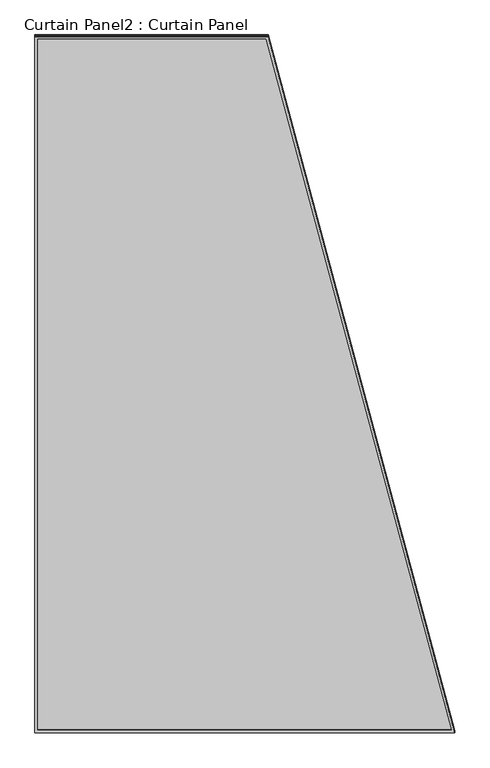
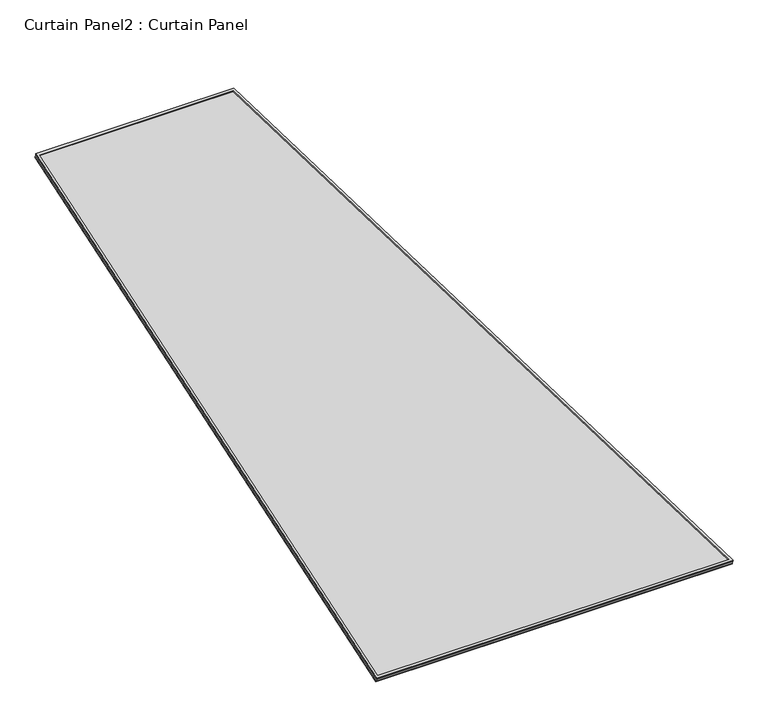
"""IFC4 building model written with IfcOpenShell, lengths in millimetres: plate geometry, Curtain Panel2 : Curtain Panel."""

import ifcopenshell
import ifcopenshell.guid

model = None  # the IFC model being written
_history = None  # IfcOwnerHistory: only IFC2X3 demands one
_inside = {}  # id of a spatial element -> (the spatial element, [elements in it])
_under = {}  # id of a project, library or spatial element -> (it, [spatial elements below it])
_declared = {}  # id of a project -> (the project, [libraries it declares])
_typed = {}  # id of a type object -> (the type object, [elements of that type])
_made_of = {}  # id of a material, layer set ... -> (it, [elements and type objects made of it])


def new_model(schema):
    """Start an empty IFC model of exactly this schema.

    Asked for "IFC4X3", IfcOpenShell would pick the latest addendum, in which some entities
    have other attributes; the version numbers below select the first issue.
    IFC2X3 requires an IfcOwnerHistory on every rooted entity: one is made here for all.
    """
    global model, _history
    if schema == "IFC4X3":
        model = ifcopenshell.file(schema_version=(4, 3, 0, 0))
    else:
        model = ifcopenshell.file(schema=schema)
    _inside.clear()
    _under.clear()
    _declared.clear()
    _typed.clear()
    _made_of.clear()
    _history = None
    if model.schema == "IFC2X3":
        org = make("IfcOrganization", Name="unknown")
        user = make(
            "IfcPersonAndOrganization",
            ThePerson=make("IfcPerson", FamilyName="unknown"),
            TheOrganization=org,
        )
        app = make(
            "IfcApplication",
            ApplicationDeveloper=org,
            Version="unknown",
            ApplicationFullName="unknown",
            ApplicationIdentifier="unknown",
        )
        _history = make(
            "IfcOwnerHistory",
            OwningUser=user,
            OwningApplication=app,
            ChangeAction="ADDED",
            CreationDate=0,
        )
    return model


def make(cls, **values):
    """One entity of the class cls with the attributes given. An attribute that is None is left unset."""
    return model.create_entity(
        cls, **{name: value for name, value in values.items() if value is not None}
    )


def rooted(cls, **values):
    """An entity with a GlobalId (a new one), such as an element, a storey or a relation."""
    return make(cls, GlobalId=ifcopenshell.guid.new(), OwnerHistory=_history, **values)


def si_unit(unit_type, name, prefix=None):
    """IfcSIUnit, for example si_unit("LENGTHUNIT", "METRE", prefix="MILLI")."""
    return make("IfcSIUnit", UnitType=unit_type, Prefix=prefix, Name=name)


def assignment(units):
    """IfcUnitAssignment: the units of a project."""
    return None if units is None else make("IfcUnitAssignment", Units=units)


def point(xyz):
    """IfcCartesianPoint."""
    return None if xyz is None else make("IfcCartesianPoint", Coordinates=xyz)


def direction(xyz):
    """IfcDirection."""
    return None if xyz is None else make("IfcDirection", DirectionRatios=xyz)


def frame(location, z_axis=None, x_axis=None):
    """IfcAxis2Placement3D, a coordinate frame: its origin and axes. An axis left out is left unset."""
    return make(
        "IfcAxis2Placement3D",
        Location=point(location),
        Axis=direction(z_axis),
        RefDirection=direction(x_axis),
    )


def origin():
    """The frame at (0, 0, 0) with its axes left unset."""
    return frame((0.0, 0.0, 0.0))


def place(relative_to, where):
    """IfcLocalPlacement: puts the frame where relative to a parent placement (None: the world)."""
    return make(
        "IfcLocalPlacement", PlacementRelTo=relative_to, RelativePlacement=where
    )


def context(
    kind, dimensions, precision=None, world=None, true_north=None, identifier=None
):
    """IfcGeometricRepresentationContext, for example the 3D "Model" context."""
    return make(
        "IfcGeometricRepresentationContext",
        ContextIdentifier=identifier,
        ContextType=kind,
        CoordinateSpaceDimension=dimensions,
        Precision=precision,
        WorldCoordinateSystem=world,
        TrueNorth=true_north,
    )


def project(units=None, contexts=None):
    """IfcProject with its units and contexts."""
    return rooted(
        "IfcProject",
        Name="project",
        RepresentationContexts=contexts,
        UnitsInContext=assignment(units),
    )


def spatial(cls, under=None, at=None, **own):
    """A site, building, storey or space (cls), placed at a placement, below another one or the project."""
    s = rooted(cls, ObjectPlacement=at, **own)
    if under is not None:
        _under.setdefault(under.id(), (under, []))[1].append(s)
    return s


def polyline(points):
    """IfcPolyline through the points."""
    return make("IfcPolyline", Points=[point(p) for p in points])


def outline(outer, holes=None, kind="AREA"):
    """IfcArbitraryClosedProfileDef: a profile drawn as a closed curve; with holes, ...WithVoids."""
    if holes is None:
        return make("IfcArbitraryClosedProfileDef", ProfileType=kind, OuterCurve=outer)
    return make(
        "IfcArbitraryProfileDefWithVoids",
        ProfileType=kind,
        OuterCurve=outer,
        InnerCurves=holes,
    )


def extrude(swept, where, along, depth):
    """IfcExtrudedAreaSolid: the profile swept, set in the frame where, extruded along a direction by depth."""
    return make(
        "IfcExtrudedAreaSolid",
        SweptArea=swept,
        Position=where,
        ExtrudedDirection=direction(along),
        Depth=depth,
    )


def shape(context_of_items, identifier, shape_type, items):
    """IfcShapeRepresentation: the items that make up one representation, for example the "Body"."""
    return make(
        "IfcShapeRepresentation",
        ContextOfItems=context_of_items,
        RepresentationIdentifier=identifier,
        RepresentationType=shape_type,
        Items=items,
    )


def source(mapping_origin, context_of_items, identifier, shape_type, items):
    """IfcRepresentationMap: a shape defined once, which mapped items show again and again."""
    return make(
        "IfcRepresentationMap",
        MappingOrigin=mapping_origin,
        MappedRepresentation=shape(context_of_items, identifier, shape_type, items),
    )


def transform(
    local_origin,
    x_axis=None,
    y_axis=None,
    z_axis=None,
    scale=None,
    scale2=None,
    scale3=None,
    uniform=True,
):
    """IfcCartesianTransformationOperator3D, or its non-uniform kind. x_axis, y_axis, z_axis: its Axis1, 2, 3."""
    if uniform:
        return make(
            "IfcCartesianTransformationOperator3D",
            Axis1=direction(x_axis),
            Axis2=direction(y_axis),
            LocalOrigin=point(local_origin),
            Scale=scale,
            Axis3=direction(z_axis),
        )
    return make(
        "IfcCartesianTransformationOperator3DnonUniform",
        Axis1=direction(x_axis),
        Axis2=direction(y_axis),
        LocalOrigin=point(local_origin),
        Scale=scale,
        Axis3=direction(z_axis),
        Scale2=scale2,
        Scale3=scale3,
    )


def mapped(mapping_source, mapping_target):
    """IfcMappedItem: shows the shape of a source again, moved by a transform."""
    return make(
        "IfcMappedItem", MappingSource=mapping_source, MappingTarget=mapping_target
    )


def made_of(thing, what):
    """Note that an element or type object is made of a material, layer set ...; save() writes the relation."""
    if what is not None:
        _made_of.setdefault(what.id(), (what, []))[1].append(thing)
    return thing


def element(
    cls,
    number,
    at=None,
    inside=None,
    cuts=None,
    type_object=None,
    material=None,
    context=None,
    identifier="Body",
    shape_type=None,
    held_by="IfcProductDefinitionShape",
    body=None,
    shapes=None,
    **own,
):
    """One element of the class cls, such as IfcWall. Its Tag is "e" and its number.

    at: its placement. inside: the storey or other place that contains it. cuts: it is an
    opening in that element (IfcRelVoidsElement). A single representation is given by context,
    identifier, shape_type and body (its items); several are given by shapes. held_by: the class
    of the entity that holds the representations. save() writes the other relations.
    """
    e = rooted(cls, Tag="e%d" % number, ObjectPlacement=at, **own)
    if body is not None:
        shapes = [shape(context, identifier, shape_type, body)]
    if shapes is not None:
        e.Representation = make(held_by, Representations=shapes)
    if inside is not None:
        _inside.setdefault(inside.id(), (inside, []))[1].append(e)
    if cuts is not None:
        rooted(
            "IfcRelVoidsElement", RelatingBuildingElement=cuts, RelatedOpeningElement=e
        )
    if type_object is not None:
        _typed.setdefault(type_object.id(), (type_object, []))[1].append(e)
    return made_of(e, material)


def aggregate(whole, parts):
    """IfcRelAggregates: a whole, such as a stair, and the parts it consists of."""
    return rooted("IfcRelAggregates", RelatingObject=whole, RelatedObjects=parts)


def save(model, path):
    """Write the relations noted so far, then the file.

    IfcRelAggregates (storeys below a building ...), IfcRelContainedInSpatialStructure (elements
    in a storey), IfcRelDefinesByType, IfcRelAssociatesMaterial and IfcRelDeclares: one each for
    every whole, place, type object, material and project.
    """
    for whole, parts in _under.values():
        aggregate(whole, parts)
    for where, things in _inside.values():
        rooted(
            "IfcRelContainedInSpatialStructure",
            RelatedElements=things,
            RelatingStructure=where,
        )
    for kind, things in _typed.values():
        rooted("IfcRelDefinesByType", RelatedObjects=things, RelatingType=kind)
    for what, things in _made_of.values():
        rooted("IfcRelAssociatesMaterial", RelatedObjects=things, RelatingMaterial=what)
    for by, libraries in _declared.values():
        rooted("IfcRelDeclares", RelatingContext=by, RelatedDefinitions=libraries)
    model.write(path)


def curtain_panel2_curtain_panel_370c7e70(model_context):
    return source(origin(), model_context, "Body", "SweptSolid", [
        extrude(outline(polyline([(1625.8893335, -2842.276264), (722.5243658, -2842.276264), (0.0, 0.0), (1625.8893335, 0.0), (1625.8893335, -2842.276264)]), holes=[polyline([(1614.7768335, -11.1125001), (14.2907959, -11.1125001), (731.165428, -2831.163764), (1614.7768335, -2831.163764), (1614.7768335, -11.1125001)])]), frame((14785.3634123, -8043.1642448, -9.2022991), z_axis=(0.0, -0.31614582397380564, 0.9487106081329141), x_axis=(-1.0, 0.0, 0.0)), (0.0, 0.0, 1.0), 4.8944092),
        extrude(outline(polyline([(1625.8893335, -2842.276264), (722.5243658, -2842.276264), (0.0, 0.0), (1625.8893335, 0.0), (1625.8893335, -2842.276264)]), holes=[polyline([(1614.7768335, -11.1124999), (14.2907959, -11.1124999), (731.165428, -2831.1637639), (1614.7768335, -2831.1637639), (1614.7768335, -11.1124999)])]), frame((14785.3634123, -8037.6081702, -25.8753228), z_axis=(0.0, -0.31614582397380564, 0.9487106081329141), x_axis=(-1.0, 0.0, 0.0)), (0.0, 0.0, 1.0), 4.9034134),
        extrude(outline(polyline([(25.7062601, 0.0), (1651.5953125, 0.0), (1651.5953125, -2842.276264), (748.2306259, -2842.276264), (25.7062601, 0.0)])), frame((14811.0693913, -8039.1583639, -21.2234025), z_axis=(0.0, -0.3161458239738058, 0.948710608132914), x_axis=(-1.0, 0.0, 0.0)), (0.0, 0.0, 1.0), 12.6709908),
    ])


if __name__ == "__main__":
    model = new_model("IFC4")
    model_context = context("Model", 3, world=origin())
    ifc_project = project(units=[si_unit("LENGTHUNIT", "METRE", prefix="MILLI")], contexts=[model_context])
    site = spatial("IfcSite", under=ifc_project)
    building = spatial("IfcBuilding", under=site)
    placement = place(None, origin())
    curtain_panel2_curtain_panel_shape = curtain_panel2_curtain_panel_370c7e70(model_context)
    element("IfcPlate", 1, ObjectType="Curtain Panel2 : Curtain Panel", at=placement, inside=building, context=model_context, shape_type="MappedRepresentation", body=[
        mapped(curtain_panel2_curtain_panel_shape, transform((0.0, 0.0, 0.0), x_axis=(1.0, 0.0, 0.0), y_axis=(0.0, 1.0, 0.0), z_axis=(0.0, 0.0, 1.0))),
    ])
    save(model, "model.ifc")
